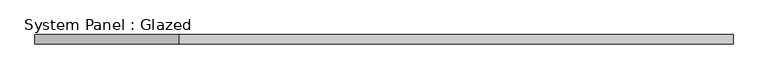
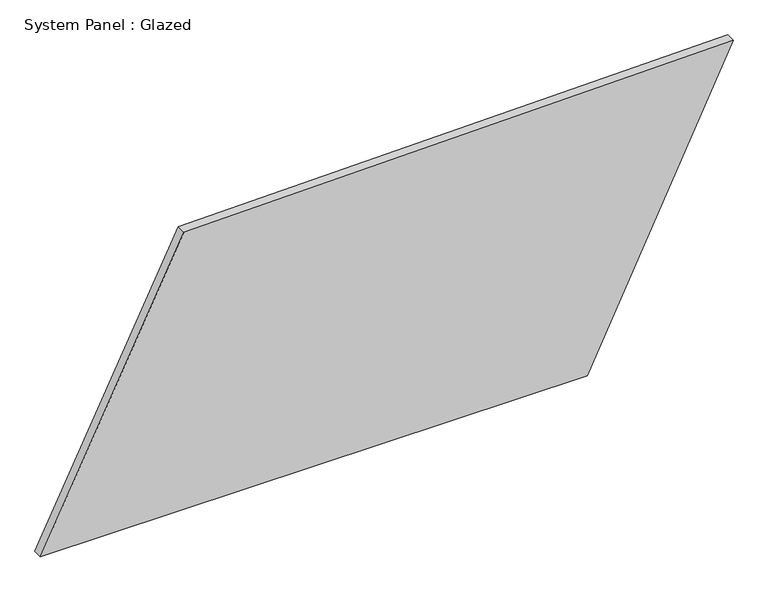
"""IFC4 building model written with IfcOpenShell, lengths in millimetres: plate geometry, System Panel : Glazed."""

from ifc_helpers import new_model, si_unit, frame, origin, place, context, project, spatial, polyline, outline, extrude, source, transform, mapped, element, save


def system_panel_glazed_f1e67fb8(model_context):
    return source(origin(), model_context, "Body", "SweptSolid", [
        extrude(outline(polyline([(0.0, -916.6552439), (0.0, 530.428438), (803.2329969, 916.6552439), (775.1864828, -537.3740976), (0.0, -916.6552439)])), frame((0.0, -49.5, 0.0), z_axis=(0.0, 1.0, 0.0), x_axis=(0.0, 0.0, 1.0)), (0.0, 0.0, 1.0), 25.0),
    ])


if __name__ == "__main__":
    model = new_model("IFC4")
    model_context = context("Model", 3, world=origin())
    ifc_project = project(units=[si_unit("LENGTHUNIT", "METRE", prefix="MILLI")], contexts=[model_context])
    site = spatial("IfcSite", under=ifc_project)
    building = spatial("IfcBuilding", under=site)
    placement = place(None, origin())
    system_panel_glazed_shape = system_panel_glazed_f1e67fb8(model_context)
    element("IfcPlate", 1, ObjectType="System Panel : Glazed", at=placement, inside=building, context=model_context, shape_type="MappedRepresentation", body=[
        mapped(system_panel_glazed_shape, transform((0.0, 0.0, 0.0), x_axis=(1.0, 0.0, 0.0), y_axis=(0.0, 1.0, 0.0), z_axis=(0.0, 0.0, 1.0))),
    ])
    save(model, "model.ifc")
